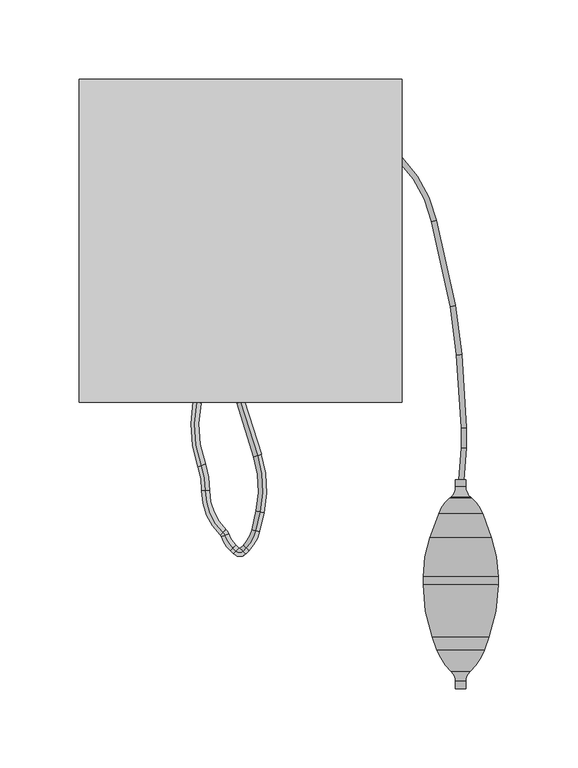
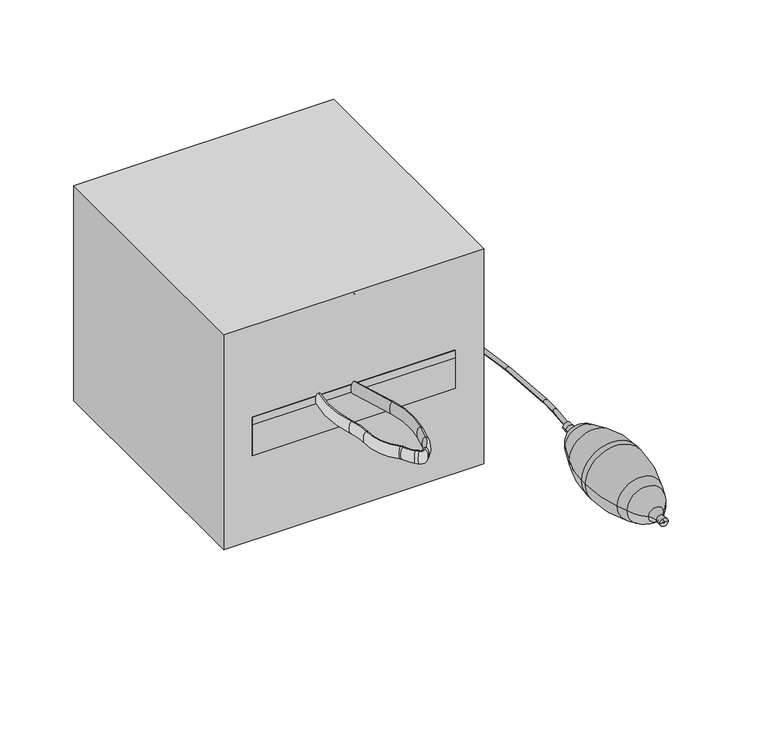
"""IFC4 building model written with IfcOpenShell, lengths in millimetres: proxy geometry."""

from ifc_helpers import new_model, si_unit, point, frame, frame_2d, origin, origin_with_axes, place, context, project, spatial, polyline, circle_curve, ellipse_curve, trimmed, segment, composite_curve, outline, extrude, source, transform, mapped, element, save
from ifc_brep_helpers import plane_surface, cylinder_surface, revolved_surface, extruded_surface, advanced_brep


def specialty_equipment_8f949246(model_context):
    return source(origin(), model_context, "Body", "SolidModel", [
        advanced_brep(
        [(0.0, 0.0, 93.3890108), (0.0, 0.0, 103.4609892), (10.60129, -33.4899695, 93.3890108), (10.60129, -33.4899695, 103.4609892), (12.1452256, -68.8519095, 103.4609892), (12.1452256, -68.8519095, 93.3890108), (9.4902706, -80.7634297, 93.3890108), (9.4902706, -80.7634297, 103.4609892), (3.5257448, -91.6206606, 103.4609892), (3.5257448, -91.6206606, 93.3890108), (1.489236, -93.6571694, 93.3890108), (1.489236, -93.6571694, 103.4609892), (-2.7411458, -93.6571694, 103.4609892), (-2.7411458, -93.6571694, 93.3890108), (-4.6658712, -91.732444, 93.3890108), (-4.6658712, -91.732444, 103.4609892), (-9.7582734, -83.8141156, 103.4609892), (-9.7582734, -83.8141156, 93.3890108), (-10.9708227, -81.9675873, 103.4609892), (-10.9708227, -81.9675873, 93.3890108), (-21.9594666, -55.7504476, 103.4609892), (-21.9594666, -55.7504476, 93.3890108), (-24.5939327, -39.9510684, 103.4609892), (-24.5939327, -39.9510684, 93.3890108), (-27.3580457, -0.1117834, 93.3890108), (-27.3580457, -0.1117834, 103.4609892)],
        [
            (0, 1, ellipse_curve(frame((0.0, 0.0, 98.425), z_axis=(-0.30179165133573443, 0.9533739031377199, 0.0), x_axis=(0.0, 0.0, 1.0)), 5.0359892, 2.5179946)),
            (1, 0, ellipse_curve(frame((0.0, 0.0, 98.425), z_axis=(-0.30179165133573443, 0.9533739031377199, 0.0), x_axis=(0.0, 0.0, 1.0)), 5.0359892, 2.5179946)),
            (0, 2),
            (2, 3, ellipse_curve(frame((10.60129, -33.4899695, 98.425), z_axis=(-0.3017916513357344, 0.9533739031377201, 0.0), x_axis=(0.0, 0.0, 1.0)), 5.0359892, 2.5179946)),
            (3, 1),
            (3, 2, ellipse_curve(frame((10.60129, -33.4899695, 98.425), z_axis=(-0.3017916513357344, 0.9533739031377201, 0.0), x_axis=(0.0, 0.0, 1.0)), 5.0359892, 2.5179946)),
            (4, 3, circle_curve(frame((-54.3137244, -54.0388951, 103.4609892), z_axis=(0.0, 0.0, 1.0), x_axis=(0.9533739031377199, 0.3017916513357344, 0.0)), 68.0897748)),
            (2, 5, circle_curve(frame((-54.3137244, -54.0388951, 93.3890108), z_axis=(0.0, 0.0, -1.0), x_axis=(0.9533739031377199, 0.3017916513357344, 0.0)), 68.0897748)),
            (5, 4, ellipse_curve(frame((12.1452256, -68.8519095, 98.425), z_axis=(0.21755123234481044, 0.9760489031320381, 0.0), x_axis=(0.0, 0.0, 1.0)), 5.0359892, 2.5179946)),
            (4, 5, ellipse_curve(frame((12.1452256, -68.8519095, 98.425), z_axis=(0.21755123234481044, 0.9760489031320381, 0.0), x_axis=(0.0, 0.0, 1.0)), 5.0359892, 2.5179946)),
            (5, 6),
            (6, 7, ellipse_curve(frame((9.4902706, -80.7634297, 98.425), z_axis=(0.21755123234481058, 0.9760489031320381, 0.0), x_axis=(0.0, 0.0, 1.0)), 5.0359892, 2.5179946)),
            (7, 4),
            (7, 6, ellipse_curve(frame((9.4902706, -80.7634297, 98.425), z_axis=(0.21755123234481058, 0.9760489031320381, 0.0), x_axis=(0.0, 0.0, 1.0)), 5.0359892, 2.5179946)),
            (8, 7, circle_curve(frame((-12.1562786, -75.9386371, 103.4609892), z_axis=(0.0, 0.0, 1.0), x_axis=(0.9760489031320378, -0.21755123234481052, 0.0)), 22.1777302)),
            (6, 9, circle_curve(frame((-12.1562786, -75.9386371, 93.3890108), z_axis=(0.0, 0.0, -1.0), x_axis=(0.9760489031320378, -0.21755123234481052, 0.0)), 22.1777302)),
            (9, 8, ellipse_curve(frame((3.5257448, -91.6206606, 98.425), z_axis=(0.7071067811865471, 0.7071067811865479, 0.0), x_axis=(0.0, 0.0, 1.0)), 5.0359892, 2.5179946)),
            (8, 9, ellipse_curve(frame((3.5257448, -91.6206606, 98.425), z_axis=(0.7071067811865478, 0.7071067811865472, 0.0), x_axis=(0.0, 0.0, 1.0)), 5.0359892, 2.5179946)),
            (9, 10),
            (10, 11, ellipse_curve(frame((1.489236, -93.6571694, 98.425), z_axis=(0.7071067811865424, 0.7071067811865528, 0.0), x_axis=(0.0, 0.0, 1.0)), 5.0359892, 2.5179946)),
            (11, 8),
            (11, 10, ellipse_curve(frame((1.489236, -93.6571694, 98.425), z_axis=(0.7071067811865424, 0.7071067811865528, 0.0), x_axis=(0.0, 0.0, 1.0)), 5.0359892, 2.5179946)),
            (12, 11, circle_curve(frame((-0.6259549, -91.5419785, 103.4609892), z_axis=(0.0, 0.0, 1.0), x_axis=(0.7071067811865528, -0.7071067811865424, 0.0)), 2.9913317)),
            (10, 13, circle_curve(frame((-0.6259549, -91.5419785, 93.3890108), z_axis=(0.0, 0.0, -1.0), x_axis=(0.7071067811865528, -0.7071067811865424, 0.0)), 2.9913317)),
            (13, 12, ellipse_curve(frame((-2.7411458, -93.6571694, 98.425), z_axis=(0.7071067811865399, -0.7071067811865552, 0.0), x_axis=(0.0, 0.0, 1.0)), 5.0359892, 2.5179946)),
            (12, 13, ellipse_curve(frame((-2.7411458, -93.6571694, 98.425), z_axis=(0.7071067811865431, -0.707106781186552, 0.0), x_axis=(0.0, 0.0, 1.0)), 5.0359892, 2.5179946)),
            (13, 14),
            (14, 15, ellipse_curve(frame((-4.6658712, -91.732444, 98.425), z_axis=(0.7071067811865434, -0.7071067811865517, 0.0), x_axis=(0.0, 0.0, 1.0)), 5.0359892, 2.5179946)),
            (15, 12),
            (15, 14, ellipse_curve(frame((-4.6658712, -91.732444, 98.425), z_axis=(0.7071067811865434, -0.7071067811865517, 0.0), x_axis=(0.0, 0.0, 1.0)), 5.0359892, 2.5179946)),
            (16, 15, circle_curve(frame((11.0161522, -76.0504205, 103.4609892), z_axis=(0.0, 0.0, 1.0), x_axis=(-0.7071067811865517, -0.7071067811865434, 0.0)), 22.1777302)),
            (14, 17, circle_curve(frame((11.0161522, -76.0504205, 93.3890108), z_axis=(0.0, 0.0, -1.0), x_axis=(-0.7071067811865517, -0.7071067811865434, 0.0)), 22.1777302)),
            (17, 16, ellipse_curve(frame((-9.7582734, -83.8141156, 98.425), z_axis=(0.3500671620040357, -0.9367246031179284, 0.0), x_axis=(0.0, 0.0, 1.0)), 5.0359892, 2.5179946)),
            (16, 17, ellipse_curve(frame((-9.7582734, -83.8141156, 98.425), z_axis=(0.35006716200403576, -0.9367246031179283, 0.0), x_axis=(0.0, 0.0, 1.0)), 5.0359892, 2.5179946)),
            (18, 16, circle_curve(frame((-14.4282922, -85.5593673, 103.4609892), z_axis=(0.0, 0.0, -1.0), x_axis=(0.9367246031179312, 0.3500671620040279, 0.0)), 4.9854768)),
            (17, 19, circle_curve(frame((-14.4282922, -85.5593673, 93.3890108), z_axis=(0.0, 0.0, 1.0), x_axis=(0.9367246031179312, 0.3500671620040279, 0.0)), 4.9854768)),
            (19, 18, ellipse_curve(frame((-10.9708227, -81.9675873, 98.425), z_axis=(0.720448655639569, -0.6935082801143313, 0.0), x_axis=(0.0, 0.0, 1.0)), 5.0359892, 2.5179946)),
            (18, 19, ellipse_curve(frame((-10.9708227, -81.9675873, 98.425), z_axis=(0.7204486556395685, -0.6935082801143317, 0.0), x_axis=(0.0, 0.0, 1.0)), 5.0359892, 2.5179946)),
            (20, 18, circle_curve(frame((13.8981281, -56.1325645, 103.4609892), z_axis=(0.0, 0.0, 1.0), x_axis=(-0.6935082801143324, -0.7204486556395678, 0.0)), 35.8596307)),
            (19, 21, circle_curve(frame((13.8981281, -56.1325645, 93.3890108), z_axis=(0.0, 0.0, -1.0), x_axis=(-0.6935082801143324, -0.7204486556395678, 0.0)), 35.8596307)),
            (21, 20, ellipse_curve(frame((-21.9594666, -55.7504476, 98.425), z_axis=(-0.010655908230738531, -0.9999432241981432, 0.0), x_axis=(0.0, 0.0, 1.0)), 5.0359892, 2.5179946)),
            (20, 21, ellipse_curve(frame((-21.9594666, -55.7504476, 98.425), z_axis=(-0.010655908230738531, -0.9999432241981432, 0.0), x_axis=(0.0, 0.0, 1.0)), 5.0359892, 2.5179946)),
            (22, 20, circle_curve(frame((-67.7275968, -55.2627189, 103.4609892), z_axis=(0.0, 0.0, -1.0), x_axis=(0.9999432241981431, -0.010655908230754234, 0.0)), 45.7707289)),
            (21, 23, circle_curve(frame((-67.7275968, -55.2627189, 93.3890108), z_axis=(0.0, 0.0, 1.0), x_axis=(0.9999432241981431, -0.010655908230754234, 0.0)), 45.7707289)),
            (23, 22, ellipse_curve(frame((-24.5939327, -39.9510684, 98.425), z_axis=(0.33452931398523167, -0.9423853447950952, 0.0), x_axis=(0.0, 0.0, 1.0)), 5.0359892, 2.5179946)),
            (22, 23, ellipse_curve(frame((-24.5939327, -39.9510684, 98.425), z_axis=(0.33452931398523156, -0.9423853447950952, 0.0), x_axis=(0.0, 0.0, 1.0)), 5.0359892, 2.5179946)),
            (24, 25, ellipse_curve(frame((-27.3580457, -0.1117834, 98.425), z_axis=(0.2011821163330489, 0.9795538556239548, 0.0), x_axis=(0.0, 0.0, 1.0)), 5.0359892, 2.5179946)),
            (25, 24, ellipse_curve(frame((-27.3580457, -0.1117834, 98.425), z_axis=(0.2011821163330489, 0.9795538556239548, 0.0), x_axis=(0.0, 0.0, 1.0)), 5.0359892, 2.5179946)),
            (25, 22, circle_curve(frame((45.4884963, -15.0731063, 103.4609892), z_axis=(0.0, 0.0, 1.0), x_axis=(-0.9423853447950952, -0.33452931398523145, 0.0)), 74.3670617)),
            (23, 24, circle_curve(frame((45.4884963, -15.0731063, 93.3890108), z_axis=(0.0, 0.0, -1.0), x_axis=(-0.9423853447950952, -0.33452931398523145, 0.0)), 74.3670617)),
        ],
        [
            plane_surface(frame((0.0, 0.0, 98.425), z_axis=(-0.30179165133573443, 0.9533739031377199, 0.0), x_axis=(0.0, 0.0, 1.0))),
            extruded_surface(trimmed(ellipse_curve(frame((10.60129, -33.4899695, 98.425), z_axis=(-0.30179165133573443, 0.9533739031377199, 0.0), x_axis=(0.0, 0.0, 1.0)), 5.0359892, 2.5179946), [point((10.60129, -33.4899695, 93.3890108))], [point((10.60129, -33.4899695, 103.4609892))], True, "CARTESIAN"), (-10.60129, 33.4899695, 0.0), 35.1278437535672),
            extruded_surface(trimmed(ellipse_curve(frame((10.60129, -33.4899695, 98.425), z_axis=(-0.30179165133573443, 0.9533739031377199, 0.0), x_axis=(0.0, 0.0, 1.0)), 5.0359892, 2.5179946), [point((10.60129, -33.4899695, 103.4609892))], [point((10.60129, -33.4899695, 93.3890108))], True, "CARTESIAN"), (-10.60129, 33.4899695, 0.0), 35.1278437535672),
            revolved_surface(trimmed(ellipse_curve(frame((10.60129, -33.4899695, 98.425), z_axis=(-0.3017916513357343, 0.9533739031377199, 0.0), x_axis=(0.0, 0.0, 1.0)), 5.0359892, 2.5179946), [point((10.60129, -33.4899695, 93.3890108))], [point((10.60129, -33.4899695, 103.4609892))], True, "CARTESIAN"), (-54.3137244, -54.0388951, 98.425), (0.0, 0.0, -1.0)),
            revolved_surface(trimmed(ellipse_curve(frame((10.60129, -33.4899695, 98.425), z_axis=(-0.3017916513357343, 0.9533739031377199, 0.0), x_axis=(0.0, 0.0, 1.0)), 5.0359892, 2.5179946), [point((10.60129, -33.4899695, 103.4609892))], [point((10.60129, -33.4899695, 93.3890108))], True, "CARTESIAN"), (-54.3137244, -54.0388951, 98.425), (0.0, 0.0, -1.0)),
            extruded_surface(trimmed(ellipse_curve(frame((9.4902706, -80.7634297, 98.425), z_axis=(0.2175512323448103, 0.976048903132038, 0.0), x_axis=(0.0, 0.0, 1.0)), 5.0359892, 2.5179946), [point((9.4902706, -80.7634297, 93.3890108))], [point((9.4902706, -80.7634297, 103.4609892))], True, "CARTESIAN"), (2.6549549999999993, 11.911520199999998, 0.0), 12.203814957915126),
            extruded_surface(trimmed(ellipse_curve(frame((9.4902706, -80.7634297, 98.425), z_axis=(0.2175512323448103, 0.976048903132038, 0.0), x_axis=(0.0, 0.0, 1.0)), 5.0359892, 2.5179946), [point((9.4902706, -80.7634297, 103.4609892))], [point((9.4902706, -80.7634297, 93.3890108))], True, "CARTESIAN"), (2.6549549999999993, 11.911520199999998, 0.0), 12.203814957915126),
            revolved_surface(trimmed(ellipse_curve(frame((9.4902706, -80.7634297, 98.425), z_axis=(0.21755123234481052, 0.9760489031320378, 0.0), x_axis=(0.0, 0.0, 1.0)), 5.0359892, 2.5179946), [point((9.4902706, -80.7634297, 93.3890108))], [point((9.4902706, -80.7634297, 103.4609892))], True, "CARTESIAN"), (-12.1562786, -75.9386371, 98.425), (0.0, 0.0, -1.0)),
            revolved_surface(trimmed(ellipse_curve(frame((9.4902706, -80.7634297, 98.425), z_axis=(0.21755123234481052, 0.9760489031320378, 0.0), x_axis=(0.0, 0.0, 1.0)), 5.0359892, 2.5179946), [point((9.4902706, -80.7634297, 103.4609892))], [point((9.4902706, -80.7634297, 93.3890108))], True, "CARTESIAN"), (-12.1562786, -75.9386371, 98.425), (0.0, 0.0, -1.0)),
            extruded_surface(trimmed(ellipse_curve(frame((1.489236, -93.6571694, 98.425), z_axis=(0.707106781186548, 0.707106781186547, 0.0), x_axis=(0.0, 0.0, 1.0)), 5.0359892, 2.5179946), [point((1.489236, -93.6571694, 93.3890108))], [point((1.489236, -93.6571694, 103.4609892))], True, "CARTESIAN"), (2.0365088, 2.036508800000007, 0.0), 2.8800583648521623),
            extruded_surface(trimmed(ellipse_curve(frame((1.489236, -93.6571694, 98.425), z_axis=(0.707106781186548, 0.707106781186547, 0.0), x_axis=(0.0, 0.0, 1.0)), 5.0359892, 2.5179946), [point((1.489236, -93.6571694, 103.4609892))], [point((1.489236, -93.6571694, 93.3890108))], True, "CARTESIAN"), (2.0365088, 2.036508800000007, 0.0), 2.8800583648521623),
            revolved_surface(trimmed(ellipse_curve(frame((1.489236, -93.6571694, 98.425), z_axis=(0.7071067811865424, 0.7071067811865528, 0.0), x_axis=(0.0, 0.0, 1.0)), 5.0359892, 2.5179946), [point((1.489236, -93.6571694, 93.3890108))], [point((1.489236, -93.6571694, 103.4609892))], True, "CARTESIAN"), (-0.6259549, -91.5419785, 98.425), (0.0, 0.0, -1.0)),
            revolved_surface(trimmed(ellipse_curve(frame((1.489236, -93.6571694, 98.425), z_axis=(0.7071067811865424, 0.7071067811865528, 0.0), x_axis=(0.0, 0.0, 1.0)), 5.0359892, 2.5179946), [point((1.489236, -93.6571694, 103.4609892))], [point((1.489236, -93.6571694, 93.3890108))], True, "CARTESIAN"), (-0.6259549, -91.5419785, 98.425), (0.0, 0.0, -1.0)),
            extruded_surface(trimmed(ellipse_curve(frame((-4.6658712, -91.732444, 98.425), z_axis=(0.707106781186542, -0.7071067811865531, 0.0), x_axis=(0.0, 0.0, 1.0)), 5.0359892, 2.5179946), [point((-4.6658712, -91.732444, 93.3890108))], [point((-4.6658712, -91.732444, 103.4609892))], True, "CARTESIAN"), (1.9247253999999998, -1.9247253999999998, 0.0), 2.72197276452398),
            extruded_surface(trimmed(ellipse_curve(frame((-4.6658712, -91.732444, 98.425), z_axis=(0.707106781186542, -0.7071067811865531, 0.0), x_axis=(0.0, 0.0, 1.0)), 5.0359892, 2.5179946), [point((-4.6658712, -91.732444, 103.4609892))], [point((-4.6658712, -91.732444, 93.3890108))], True, "CARTESIAN"), (1.9247253999999998, -1.9247253999999998, 0.0), 2.72197276452398),
            revolved_surface(trimmed(ellipse_curve(frame((-4.6658712, -91.732444, 98.425), z_axis=(0.7071067811865434, -0.7071067811865517, 0.0), x_axis=(0.0, 0.0, 1.0)), 5.0359892, 2.5179946), [point((-4.6658712, -91.732444, 93.3890108))], [point((-4.6658712, -91.732444, 103.4609892))], True, "CARTESIAN"), (11.0161522, -76.0504205, 98.425), (0.0, 0.0, -1.0)),
            revolved_surface(trimmed(ellipse_curve(frame((-4.6658712, -91.732444, 98.425), z_axis=(0.7071067811865434, -0.7071067811865517, 0.0), x_axis=(0.0, 0.0, 1.0)), 5.0359892, 2.5179946), [point((-4.6658712, -91.732444, 103.4609892))], [point((-4.6658712, -91.732444, 93.3890108))], True, "CARTESIAN"), (11.0161522, -76.0504205, 98.425), (0.0, 0.0, -1.0)),
            revolved_surface(trimmed(ellipse_curve(frame((-9.7582734, -83.8141156, 98.425), z_axis=(0.350067162004028, -0.9367246031179312, 0.0), x_axis=(0.0, 0.0, 1.0)), 5.0359892, 2.5179946), [point((-9.7582734, -83.8141156, 93.3890108))], [point((-9.7582734, -83.8141156, 103.4609892))], True, "CARTESIAN"), (-14.4282922, -85.5593673, 98.425), (0.0, 0.0, 1.0)),
            revolved_surface(trimmed(ellipse_curve(frame((-9.7582734, -83.8141156, 98.425), z_axis=(0.350067162004028, -0.9367246031179312, 0.0), x_axis=(0.0, 0.0, 1.0)), 5.0359892, 2.5179946), [point((-9.7582734, -83.8141156, 103.4609892))], [point((-9.7582734, -83.8141156, 93.3890108))], True, "CARTESIAN"), (-14.4282922, -85.5593673, 98.425), (0.0, 0.0, 1.0)),
            revolved_surface(trimmed(ellipse_curve(frame((-10.9708227, -81.9675873, 98.425), z_axis=(0.7204486556395681, -0.6935082801143322, 0.0), x_axis=(0.0, 0.0, 1.0)), 5.0359892, 2.5179946), [point((-10.9708227, -81.9675873, 93.3890108))], [point((-10.9708227, -81.9675873, 103.4609892))], True, "CARTESIAN"), (13.8981281, -56.1325645, 98.425), (0.0, 0.0, -1.0)),
            revolved_surface(trimmed(ellipse_curve(frame((-10.9708227, -81.9675873, 98.425), z_axis=(0.7204486556395681, -0.6935082801143322, 0.0), x_axis=(0.0, 0.0, 1.0)), 5.0359892, 2.5179946), [point((-10.9708227, -81.9675873, 103.4609892))], [point((-10.9708227, -81.9675873, 93.3890108))], True, "CARTESIAN"), (13.8981281, -56.1325645, 98.425), (0.0, 0.0, -1.0)),
            revolved_surface(trimmed(ellipse_curve(frame((-21.9594666, -55.7504476, 98.425), z_axis=(-0.010655908230753961, -0.9999432241981431, 0.0), x_axis=(0.0, 0.0, 1.0)), 5.0359892, 2.5179946), [point((-21.9594666, -55.7504476, 93.3890108))], [point((-21.9594666, -55.7504476, 103.4609892))], True, "CARTESIAN"), (-67.7275968, -55.2627189, 98.425), (0.0, 0.0, 1.0)),
            revolved_surface(trimmed(ellipse_curve(frame((-21.9594666, -55.7504476, 98.425), z_axis=(-0.010655908230753961, -0.9999432241981431, 0.0), x_axis=(0.0, 0.0, 1.0)), 5.0359892, 2.5179946), [point((-21.9594666, -55.7504476, 103.4609892))], [point((-21.9594666, -55.7504476, 93.3890108))], True, "CARTESIAN"), (-67.7275968, -55.2627189, 98.425), (0.0, 0.0, 1.0)),
            plane_surface(frame((-27.3580457, -0.1117834, 98.425), z_axis=(0.201182116333049, 0.9795538556239548, 0.0), x_axis=(0.0, 0.0, 1.0))),
            revolved_surface(trimmed(ellipse_curve(frame((-24.5939327, -39.9510684, 98.425), z_axis=(0.3345293139852318, -0.9423853447950951, 0.0), x_axis=(0.0, 0.0, 1.0)), 5.0359892, 2.5179946), [point((-24.5939327, -39.9510684, 93.3890108))], [point((-24.5939327, -39.9510684, 103.4609892))], True, "CARTESIAN"), (45.4884963, -15.0731063, 98.425), (0.0, 0.0, -1.0)),
            revolved_surface(trimmed(ellipse_curve(frame((-24.5939327, -39.9510684, 98.425), z_axis=(0.3345293139852318, -0.9423853447950951, 0.0), x_axis=(0.0, 0.0, 1.0)), 5.0359892, 2.5179946), [point((-24.5939327, -39.9510684, 103.4609892))], [point((-24.5939327, -39.9510684, 93.3890108))], True, "CARTESIAN"), (45.4884963, -15.0731063, 98.425), (0.0, 0.0, -1.0)),
        ],
        [
            (0, [[1, 2]]),
            (1, [[-1, 3, 4, 5]]),
            (2, [[-2, -5, 6, -3]]),
            (3, [[7, -4, 8, 9]]),
            (4, [[-8, -6, -7, 10]]),
            (5, [[-9, 11, 12, 13]]),
            (6, [[-10, -13, 14, -11]]),
            (7, [[15, -12, 16, 17]]),
            (8, [[-16, -14, -15, 18]]),
            (9, [[-17, 19, 20, 21]]),
            (10, [[-18, -21, 22, -19]]),
            (11, [[23, -20, 24, 25]]),
            (12, [[-24, -22, -23, 26]]),
            (13, [[-25, 27, 28, 29]]),
            (14, [[-26, -29, 30, -27]]),
            (15, [[31, -28, 32, 33]]),
            (16, [[-32, -30, -31, 34]]),
            (17, [[35, -33, 36, 37]]),
            (18, [[-36, -34, -35, 38]]),
            (19, [[39, -37, 40, 41]]),
            (20, [[-40, -38, -39, 42]]),
            (21, [[43, -41, 44, 45]]),
            (22, [[-44, -42, -43, 46]]),
            (23, [[47, 48]]),
            (24, [[49, -45, 50, -48]]),
            (25, [[-50, -46, -49, -47]]),
        ],
    ),
        advanced_brep(
        [(138.1282079, -48.8005767, 47.6946196), (139.110677, -48.8005767, 47.6946196), (141.8571136, -48.8005767, 47.6946196), (135.3817713, -48.8005767, 47.6946196), (138.1282079, -180.1855223, 47.6946196), (139.110677, -180.1855223, 47.6946196), (135.3817713, -180.1855223, 47.6946196), (141.8571136, -180.1855223, 47.6946196), (135.3817713, -175.5632852, 47.6946196), (141.8571136, -175.5632852, 47.6946196), (132.7169258, -169.4696535, 47.6946196), (144.5219592, -169.4696535, 47.6946196), (123.7575473, -155.9951928, 47.6946196), (153.4813376, -155.9951928, 47.6946196), (120.8482177, -148.0018755, 47.6946196), (156.3906672, -148.0018755, 47.6946196), (114.9866942, -114.7595239, 47.6946196), (162.2521907, -114.7595239, 47.6946196), (114.9866942, -109.7483973, 47.6946196), (162.2521907, -109.7483973, 47.6946196), (119.3165907, -85.1923341, 47.6946196), (157.9222942, -85.1923341, 47.6946196), (124.8056359, -70.1113063, 47.6946196), (152.433249, -70.1113063, 47.6946196), (131.6106524, -60.3927356, 47.6946196), (145.6282325, -60.3927356, 47.6946196), (132.2844617, -59.8273424, 47.6946196), (144.9544232, -59.8273424, 47.6946196), (135.3817713, -53.1851407, 47.6946196), (141.8571136, -53.1851407, 47.6946196)],
        [
            (0, 1, circle_curve(frame((138.6194425, -48.8005767, 47.6946196), z_axis=(0.0, -1.0, 0.0), x_axis=(1.0, 0.0, 0.0)), 0.4912345)),
            (1, 2),
            (2, 3, circle_curve(frame((138.6194425, -48.8005767, 47.6946196), z_axis=(0.0, 1.0, 0.0), x_axis=(1.0, 0.0, 0.0)), 3.2376712)),
            (3, 0),
            (1, 0, circle_curve(frame((138.6194425, -48.8005767, 47.6946196), z_axis=(0.0, -1.0, 0.0), x_axis=(1.0, 0.0, 0.0)), 0.4912345)),
            (3, 2, circle_curve(frame((138.6194425, -48.8005767, 47.6946196), z_axis=(0.0, 1.0, 0.0), x_axis=(1.0, 0.0, 0.0)), 3.2376712)),
            (4, 5, circle_curve(frame((138.6194425, -180.1855223, 47.6946196), z_axis=(0.0, -1.0, 0.0), x_axis=(1.0, 0.0, 0.0)), 0.4912345)),
            (5, 1),
            (0, 4),
            (5, 4, circle_curve(frame((138.6194425, -180.1855223, 47.6946196), z_axis=(0.0, -1.0, 0.0), x_axis=(1.0, 0.0, 0.0)), 0.4912345)),
            (6, 7, circle_curve(frame((138.6194425, -180.1855223, 47.6946196), z_axis=(0.0, -1.0, 0.0), x_axis=(1.0, 0.0, 0.0)), 3.2376712)),
            (7, 5),
            (4, 6),
            (7, 6, circle_curve(frame((138.6194425, -180.1855223, 47.6946196), z_axis=(0.0, -1.0, 0.0), x_axis=(1.0, 0.0, 0.0)), 3.2376712)),
            (8, 9, circle_curve(frame((138.6194425, -175.5632852, 47.6946196), z_axis=(0.0, -1.0, 0.0), x_axis=(1.0, 0.0, 0.0)), 3.2376712)),
            (9, 7),
            (6, 8),
            (9, 8, circle_curve(frame((138.6194425, -175.5632852, 47.6946196), z_axis=(0.0, -1.0, 0.0), x_axis=(1.0, 0.0, 0.0)), 3.2376712)),
            (10, 11, circle_curve(frame((138.6194425, -169.4696535, 47.6946196), z_axis=(0.0, -1.0, 0.0), x_axis=(1.0, 0.0, 0.0)), 5.9025167)),
            (11, 9, circle_curve(frame((150.1566096, -175.5632852, 47.6946196), z_axis=(0.0, 0.0, 1.0), x_axis=(1.0, 0.0, 0.0)), 8.299496)),
            (8, 10, circle_curve(frame((127.0822753, -175.5632852, 47.6946196), z_axis=(0.0, 0.0, 1.0), x_axis=(-1.0, 0.0, 0.0)), 8.299496)),
            (11, 10, circle_curve(frame((138.6194425, -169.4696535, 47.6946196), z_axis=(0.0, -1.0, 0.0), x_axis=(1.0, 0.0, 0.0)), 5.9025167)),
            (12, 13, circle_curve(frame((138.6194425, -155.9951928, 47.6946196), z_axis=(0.0, -1.0, 0.0), x_axis=(1.0, 0.0, 0.0)), 14.8618952)),
            (13, 11, circle_curve(frame((121.1969167, -144.2446246, 47.6946196), z_axis=(0.0, 0.0, -1.0), x_axis=(1.0, 0.0, 0.0)), 34.3563632)),
            (10, 12, circle_curve(frame((156.0419683, -144.2446246, 47.6946196), z_axis=(0.0, 0.0, -1.0), x_axis=(-1.0, 0.0, 0.0)), 34.3563632)),
            (13, 12, circle_curve(frame((138.6194425, -155.9951928, 47.6946196), z_axis=(0.0, -1.0, 0.0), x_axis=(1.0, 0.0, 0.0)), 14.8618952)),
            (14, 15, circle_curve(frame((138.6194425, -148.0018755, 47.6946196), z_axis=(0.0, -1.0, 0.0), x_axis=(1.0, 0.0, 0.0)), 17.7712248)),
            (15, 13),
            (12, 14),
            (15, 14, circle_curve(frame((138.6194425, -148.0018755, 47.6946196), z_axis=(0.0, -1.0, 0.0), x_axis=(1.0, 0.0, 0.0)), 17.7712248)),
            (16, 17, circle_curve(frame((138.6194425, -114.7595239, 47.6946196), z_axis=(0.0, -1.0, 0.0), x_axis=(1.0, 0.0, 0.0)), 23.6327482)),
            (17, 15, circle_curve(frame((65.058057, -114.7595239, 47.6946196), z_axis=(0.0, 0.0, -1.0), x_axis=(1.0, 0.0, 0.0)), 97.1941337)),
            (14, 16, circle_curve(frame((212.1808279, -114.7595239, 47.6946196), z_axis=(0.0, 0.0, -1.0), x_axis=(-1.0, 0.0, 0.0)), 97.1941337)),
            (17, 16, circle_curve(frame((138.6194425, -114.7595239, 47.6946196), z_axis=(0.0, -1.0, 0.0), x_axis=(1.0, 0.0, 0.0)), 23.6327482)),
            (18, 19, circle_curve(frame((138.6194425, -109.7483973, 47.6946196), z_axis=(0.0, -1.0, 0.0), x_axis=(1.0, 0.0, 0.0)), 23.6327482)),
            (19, 17),
            (16, 18),
            (19, 18, circle_curve(frame((138.6194425, -109.7483973, 47.6946196), z_axis=(0.0, -1.0, 0.0), x_axis=(1.0, 0.0, 0.0)), 23.6327482)),
            (20, 21, circle_curve(frame((138.6194425, -85.1923341, 47.6946196), z_axis=(0.0, -1.0, 0.0), x_axis=(1.0, 0.0, 0.0)), 19.3028518)),
            (21, 19, circle_curve(frame((90.4550652, -109.7483973, 47.6946196), z_axis=(0.0, 0.0, -1.0), x_axis=(1.0, 0.0, 0.0)), 71.7971255)),
            (18, 20, circle_curve(frame((186.7838197, -109.7483973, 47.6946196), z_axis=(0.0, 0.0, -1.0), x_axis=(-1.0, 0.0, 0.0)), 71.7971255)),
            (21, 20, circle_curve(frame((138.6194425, -85.1923341, 47.6946196), z_axis=(0.0, -1.0, 0.0), x_axis=(1.0, 0.0, 0.0)), 19.3028518)),
            (22, 23, circle_curve(frame((138.6194425, -70.1113063, 47.6946196), z_axis=(0.0, -1.0, 0.0), x_axis=(1.0, 0.0, 0.0)), 13.8138065)),
            (23, 21),
            (20, 22),
            (23, 22, circle_curve(frame((138.6194425, -70.1113063, 47.6946196), z_axis=(0.0, -1.0, 0.0), x_axis=(1.0, 0.0, 0.0)), 13.8138065)),
            (24, 25, circle_curve(frame((138.6194425, -60.3927356, 47.6946196), z_axis=(0.0, -1.0, 0.0), x_axis=(1.0, 0.0, 0.0)), 7.00879)),
            (25, 23, circle_curve(frame((130.8956408, -77.9503546, 47.6946196), z_axis=(0.0, 0.0, -1.0), x_axis=(1.0, 0.0, 0.0)), 22.9198439)),
            (22, 24, circle_curve(frame((146.3432441, -77.9503546, 47.6946196), z_axis=(0.0, 0.0, -1.0), x_axis=(-1.0, 0.0, 0.0)), 22.9198439)),
            (25, 24, circle_curve(frame((138.6194425, -60.3927356, 47.6946196), z_axis=(0.0, -1.0, 0.0), x_axis=(1.0, 0.0, 0.0)), 7.00879)),
            (26, 27, circle_curve(frame((138.6194425, -59.8273424, 47.6946196), z_axis=(0.0, -1.0, 0.0), x_axis=(1.0, 0.0, 0.0)), 6.3349807)),
            (27, 25),
            (24, 26),
            (27, 26, circle_curve(frame((138.6194425, -59.8273424, 47.6946196), z_axis=(0.0, -1.0, 0.0), x_axis=(1.0, 0.0, 0.0)), 6.3349807)),
            (28, 29, circle_curve(frame((138.6194425, -53.1851407, 47.6946196), z_axis=(0.0, -1.0, 0.0), x_axis=(1.0, 0.0, 0.0)), 3.2376712)),
            (29, 27, circle_curve(frame((150.5278923, -53.1851407, 47.6946196), z_axis=(0.0, 0.0, 1.0), x_axis=(1.0, 0.0, 0.0)), 8.6707786)),
            (26, 28, circle_curve(frame((126.7109927, -53.1851407, 47.6946196), z_axis=(0.0, 0.0, 1.0), x_axis=(-1.0, 0.0, 0.0)), 8.6707786)),
            (29, 28, circle_curve(frame((138.6194425, -53.1851407, 47.6946196), z_axis=(0.0, -1.0, 0.0), x_axis=(1.0, 0.0, 0.0)), 3.2376712)),
            (2, 29),
            (28, 3),
        ],
        [
            plane_surface(frame((138.6194425, -48.8005767, 47.6946196), z_axis=(0.0, 1.0, 0.0), x_axis=(1.0, 0.0, 0.0))),
            revolved_surface(polyline([(139.11067699999998, -48.8005767, 47.6946196), (139.11067699999998, -180.1855223, 47.6946196)]), (138.6194425, -48.8005767, 47.6946196), (0.0, 1.0, 0.0)),
            plane_surface(frame((138.6194425, -180.1855223, 47.6946196), z_axis=(0.0, -1.0, 0.0), x_axis=(1.0, 0.0, 0.0))),
            cylinder_surface(frame((138.6194425, -48.8005767, 47.6946196), z_axis=(0.0, 1.0, 0.0), x_axis=(1.0, 0.0, 0.0)), 3.2376712),
            revolved_surface(trimmed(ellipse_curve(frame((150.1566096, -175.5632852, 47.6946196), z_axis=(0.0, 0.0, -1.0), x_axis=(1.0, 0.0, 0.0)), 8.299496, 8.299496), [point((141.8571136, -175.5632852, 47.6946196))], [point((144.5219592, -169.4696535, 47.6946196))], True, "CARTESIAN"), (138.6194425, -48.8005767, 47.6946196), (0.0, 1.0, 0.0)),
            revolved_surface(trimmed(ellipse_curve(frame((121.1969167, -144.2446246, 47.6946196), z_axis=(0.0, 0.0, 1.0), x_axis=(1.0, 0.0, 0.0)), 34.3563632, 34.3563632), [point((144.5219592, -169.4696535, 47.6946196))], [point((153.4813376, -155.9951928, 47.6946196))], True, "CARTESIAN"), (138.6194425, -48.8005767, 47.6946196), (0.0, 1.0, 0.0)),
            revolved_surface(polyline([(153.4813376, -155.9951928, 47.6946196), (156.3906672, -148.0018755, 47.6946196)]), (138.6194425, -48.8005767, 47.6946196), (0.0, 1.0, 0.0)),
            revolved_surface(trimmed(ellipse_curve(frame((65.058057, -114.7595239, 47.6946196), z_axis=(0.0, 0.0, 1.0), x_axis=(1.0, 0.0, 0.0)), 97.1941337, 97.1941337), [point((156.3906672, -148.0018755, 47.6946196))], [point((162.2521907, -114.7595239, 47.6946196))], True, "CARTESIAN"), (138.6194425, -48.8005767, 47.6946196), (0.0, 1.0, 0.0)),
            cylinder_surface(frame((138.6194425, -48.8005767, 47.6946196), z_axis=(0.0, 1.0, 0.0), x_axis=(1.0, 0.0, 0.0)), 23.6327482),
            revolved_surface(trimmed(ellipse_curve(frame((90.4550652, -109.7483973, 47.6946196), z_axis=(0.0, 0.0, 1.0), x_axis=(1.0, 0.0, 0.0)), 71.7971255, 71.7971255), [point((162.2521907, -109.7483973, 47.6946196))], [point((157.9222942, -85.1923341, 47.6946196))], True, "CARTESIAN"), (138.6194425, -48.8005767, 47.6946196), (0.0, 1.0, 0.0)),
            revolved_surface(polyline([(157.9222942, -85.1923341, 47.6946196), (152.433249, -70.1113063, 47.6946196)]), (138.6194425, -48.8005767, 47.6946196), (0.0, 1.0, 0.0)),
            revolved_surface(trimmed(ellipse_curve(frame((130.8956408, -77.9503546, 47.6946196), z_axis=(0.0, 0.0, 1.0), x_axis=(1.0, 0.0, 0.0)), 22.9198439, 22.9198439), [point((152.433249, -70.1113063, 47.6946196))], [point((145.6282325, -60.3927356, 47.6946196))], True, "CARTESIAN"), (138.6194425, -48.8005767, 47.6946196), (0.0, 1.0, 0.0)),
            revolved_surface(polyline([(145.6282325, -60.3927356, 47.6946196), (144.9544232, -59.8273424, 47.6946196)]), (138.6194425, -48.8005767, 47.6946196), (0.0, 1.0, 0.0)),
            revolved_surface(trimmed(ellipse_curve(frame((150.5278923, -53.1851407, 47.6946196), z_axis=(0.0, 0.0, -1.0), x_axis=(1.0, 0.0, 0.0)), 8.6707786, 8.6707786), [point((144.9544232, -59.8273424, 47.6946196))], [point((141.8571136, -53.1851407, 47.6946196))], True, "CARTESIAN"), (138.6194425, -48.8005767, 47.6946196), (0.0, 1.0, 0.0)),
        ],
        [
            (0, [[1, 2, 3, 4]]),
            (0, [[5, -4, 6, -2]]),
            (1, [[7, 8, -1, 9]]),
            (1, [[10, -9, -5, -8]]),
            (2, [[11, 12, -7, 13]]),
            (2, [[14, -13, -10, -12]]),
            (3, [[15, 16, -11, 17]]),
            (3, [[18, -17, -14, -16]]),
            (4, [[19, 20, -15, 21]]),
            (4, [[22, -21, -18, -20]]),
            (5, [[23, 24, -19, 25]]),
            (5, [[26, -25, -22, -24]]),
            (6, [[27, 28, -23, 29]]),
            (6, [[30, -29, -26, -28]]),
            (7, [[31, 32, -27, 33]]),
            (7, [[34, -33, -30, -32]]),
            (8, [[35, 36, -31, 37]]),
            (8, [[38, -37, -34, -36]]),
            (9, [[39, 40, -35, 41]]),
            (9, [[42, -41, -38, -40]]),
            (10, [[43, 44, -39, 45]]),
            (10, [[46, -45, -42, -44]]),
            (11, [[47, 48, -43, 49]]),
            (11, [[50, -49, -46, -48]]),
            (12, [[51, 52, -47, 53]]),
            (12, [[54, -53, -50, -52]]),
            (13, [[55, 56, -51, 57]]),
            (13, [[58, -57, -54, -56]]),
            (3, [[-3, 59, -55, 60]]),
            (3, [[-6, -60, -58, -59]]),
        ],
    ),
        extrude(outline(composite_curve([segment(polyline([(60.0140495, 56.9161892), (60.0140495, -51.3523862)]), True, "CONTINUOUS"), segment(trimmed(circle_curve(frame_2d((49.7730325, -51.3523862)), 10.2410171), [point((60.0140495, -51.3523862))], [point((49.7730325, -61.5934033))], False, "CARTESIAN"), True, "CONTINUOUS"), segment(polyline([(49.7730325, -61.5934033), (47.625, -61.5934033)]), True, "CONTINUOUS"), segment(trimmed(circle_curve(frame_2d((47.625, -55.2434033)), 6.35), [point((47.625, -61.5934033))], [point((41.275, -55.2434033))], False, "CARTESIAN"), True, "CONTINUOUS"), segment(polyline([(41.275, -55.2434033), (41.275, 56.9161892)]), True, "CONTINUOUS"), segment(trimmed(circle_curve(frame_2d((47.625, 56.9161892)), 6.35), [point((41.275, 56.9161892))], [point((47.625, 63.2661892))], False, "CARTESIAN"), True, "CONTINUOUS"), segment(polyline([(47.625, 63.2661892), (53.6640495, 63.2661892)]), True, "CONTINUOUS"), segment(trimmed(circle_curve(frame_2d((53.6640495, 56.9161892)), 6.35), [point((53.6640495, 63.2661892))], [point((60.0140495, 56.9161892))], False, "CARTESIAN"), True, "CONTINUOUS")], self_intersect=False)), frame((0.0, 134.8257556, 0.0), z_axis=(0.0, 1.0, 0.0), x_axis=(0.0, 0.0, 1.0)), (0.0, 0.0, 1.0), 49.3242444),
        extrude(outline(polyline([(1.4455759, 86.4782162), (0.3248118, 26.9185099), (-0.7959523, 86.4782162), (1.4455759, 86.4782162)])), frame((0.0, 0.0, 98.425), z_axis=(0.0, 0.0, 1.0), x_axis=(1.0, 0.0, 0.0)), (0.0, 0.0, 1.0), 1.5875),
        advanced_brep(
        [(64.1302409, 157.2064783, 47.6946196), (63.006649, 160.2935217, 47.6946196), (79.4200216, 162.7715033, 47.6946196), (78.2964296, 165.8585468, 47.6946196), (93.3436181, 162.5226654, 47.6946196), (91.020657, 160.1997043, 47.6946196), (99.4638922, 151.7564691, 47.6946196), (101.7868533, 154.0794302, 47.6946196), (123.3936687, 114.6421744, 47.6946196), (120.1855696, 113.9347877, 47.6946196), (132.0133902, 60.2939371, 47.6946196), (135.2214894, 61.0013237, 47.6946196), (135.9885723, 29.7831085, 47.6946196), (139.2461165, 30.2081991, 47.6946196), (142.2495065, -16.0179543, 47.6946196), (138.9643435, -16.0179543, 47.6946196), (138.9643435, -28.7184587, 47.6946196), (142.2495065, -28.7184587, 47.6946196), (137.4726358, -48.678532, 47.6946196), (140.7487182, -48.9226214, 47.6946196)],
        [
            (0, 1, circle_curve(frame((63.568445, 158.75, 47.6946196), z_axis=(-0.9396926207859115, -0.3420201433256602, 0.0), x_axis=(-0.3420201433256602, 0.9396926207859115, 0.0)), 1.6425815)),
            (1, 0, circle_curve(frame((63.568445, 158.75, 47.6946196), z_axis=(-0.9396926207859115, -0.3420201433256602, 0.0), x_axis=(-0.3420201433256602, 0.9396926207859115, 0.0)), 1.6425815)),
            (0, 2),
            (2, 3, circle_curve(frame((78.8582256, 164.315025, 47.6946196), z_axis=(-0.9396926207859115, -0.3420201433256602, 0.0), x_axis=(-0.3420201433256602, 0.9396926207859115, 0.0)), 1.6425815)),
            (3, 1),
            (3, 2, circle_curve(frame((78.8582256, 164.315025, 47.6946196), z_axis=(-0.9396926207859115, -0.3420201433256602, 0.0), x_axis=(-0.3420201433256602, 0.9396926207859115, 0.0)), 1.6425815)),
            (4, 3, circle_curve(frame((83.2018814, 152.3809287, 47.6946196), z_axis=(0.0, 0.0, 1.0), x_axis=(-0.34202014332565955, 0.9396926207859118, 0.0)), 14.3425815)),
            (2, 5, circle_curve(frame((83.2018814, 152.3809287, 47.6946196), z_axis=(0.0, 0.0, -1.0), x_axis=(-0.34202014332565955, 0.9396926207859118, 0.0)), 11.0574185)),
            (5, 4, circle_curve(frame((92.1821375, 161.3611849, 47.6946196), z_axis=(-0.707106781186547, 0.7071067811865481, 0.0), x_axis=(0.7071067811865481, 0.707106781186547, 0.0)), 1.6425815)),
            (4, 5, circle_curve(frame((92.1821375, 161.3611849, 47.6946196), z_axis=(-0.7071067811865444, 0.7071067811865509, 0.0), x_axis=(0.7071067811865509, 0.7071067811865444, 0.0)), 1.6425815)),
            (5, 6),
            (6, 7, circle_curve(frame((100.6253728, 152.9179497, 47.6946196), z_axis=(-0.7071067811865462, 0.7071067811865489, 0.0), x_axis=(0.7071067811865489, 0.7071067811865462, 0.0)), 1.6425815)),
            (7, 4),
            (7, 6, circle_curve(frame((100.6253728, 152.9179497, 47.6946196), z_axis=(-0.7071067811865462, 0.7071067811865489, 0.0), x_axis=(0.7071067811865489, 0.7071067811865462, 0.0)), 1.6425815)),
            (8, 7, circle_curve(frame((45.0818146, 97.3743915, 47.6946196), z_axis=(0.0, 0.0, 1.0), x_axis=(0.7071067811865482, 0.7071067811865469, 0.0)), 80.1930348)),
            (6, 9, circle_curve(frame((45.0818146, 97.3743915, 47.6946196), z_axis=(0.0, 0.0, -1.0), x_axis=(0.7071067811865482, 0.7071067811865469, 0.0)), 76.9078718)),
            (9, 8, circle_curve(frame((121.7896192, 114.2884811, 47.6946196), z_axis=(-0.21532771486204544, 0.9765418450902602, 0.0), x_axis=(0.9765418450902602, 0.21532771486204544, 0.0)), 1.6425815)),
            (8, 9, circle_curve(frame((121.7896192, 114.2884811, 47.6946196), z_axis=(-0.21532771486204566, 0.9765418450902602, 0.0), x_axis=(0.9765418450902602, 0.21532771486204566, 0.0)), 1.6425815)),
            (9, 10),
            (10, 11, circle_curve(frame((133.6174398, 60.6476304, 47.6946196), z_axis=(-0.21532771486204544, 0.9765418450902602, 0.0), x_axis=(0.9765418450902602, 0.21532771486204544, 0.0)), 1.6425815)),
            (11, 8),
            (11, 10, circle_curve(frame((133.6174398, 60.6476304, 47.6946196), z_axis=(-0.21532771486204544, 0.9765418450902602, 0.0), x_axis=(0.9765418450902602, 0.21532771486204544, 0.0)), 1.6425815)),
            (10, 12),
            (12, 13, circle_curve(frame((137.6173444, 29.9956538, 47.6946196), z_axis=(-0.12939709806477467, 0.9915928554666049, 0.0), x_axis=(0.9915928554666049, 0.12939709806477467, 0.0)), 1.6425815)),
            (13, 11),
            (13, 12, circle_curve(frame((137.6173444, 29.9956538, 47.6946196), z_axis=(-0.12939709806477467, 0.9915928554666049, 0.0), x_axis=(0.9915928554666049, 0.12939709806477467, 0.0)), 1.6425815)),
            (14, 13, circle_curve(frame((-214.993075, -16.0179543, 47.6946196), z_axis=(0.0, 0.0, 1.0), x_axis=(0.9915928554666049, 0.12939709806477429, 0.0)), 357.2425815)),
            (12, 15, circle_curve(frame((-214.993075, -16.0179543, 47.6946196), z_axis=(0.0, 0.0, -1.0), x_axis=(0.9915928554666049, 0.12939709806477429, 0.0)), 353.9574185)),
            (15, 14, circle_curve(frame((140.606925, -16.0179543, 47.6946196), z_axis=(0.0, 1.0, 0.0), x_axis=(1.0, 0.0, 0.0)), 1.6425815)),
            (14, 15, circle_curve(frame((140.606925, -16.0179543, 47.6946196), z_axis=(0.0, 1.0, 0.0), x_axis=(1.0, 0.0, 0.0)), 1.6425815)),
            (15, 16),
            (16, 17, circle_curve(frame((140.606925, -28.7184587, 47.6946196), z_axis=(0.0, 1.0, 0.0), x_axis=(1.0, 0.0, 0.0)), 1.6425815)),
            (17, 14),
            (17, 16, circle_curve(frame((140.606925, -28.7184587, 47.6946196), z_axis=(0.0, 1.0, 0.0), x_axis=(1.0, 0.0, 0.0)), 1.6425815)),
            (18, 19, circle_curve(frame((139.110677, -48.8005767, 47.6946196), z_axis=(-0.07430053978067924, -0.9972358947552479, 0.0), x_axis=(0.9972358947552479, -0.07430053978067924, 0.0)), 1.6425815)),
            (19, 18, circle_curve(frame((139.110677, -48.8005767, 47.6946196), z_axis=(-0.07430053978067924, -0.9972358947552479, 0.0), x_axis=(0.9972358947552479, -0.07430053978067924, 0.0)), 1.6425815)),
            (16, 18),
            (19, 17),
        ],
        [
            plane_surface(frame((63.568445, 158.75, 98.425), z_axis=(-0.9396926207859115, -0.3420201433256602, 0.0), x_axis=(0.0, 0.0, 1.0))),
            cylinder_surface(frame((63.568445, 158.75, 47.6946196), z_axis=(-0.9396926207859115, -0.3420201433256602, 0.0), x_axis=(-0.3420201433256602, 0.9396926207859115, 0.0)), 1.6425815),
            revolved_surface(trimmed(ellipse_curve(frame((78.8582256, 164.315025, 47.6946196), z_axis=(-0.9396926207859118, -0.3420201433256596, 0.0), x_axis=(-0.3420201433256596, 0.9396926207859118, 0.0)), 1.6425815, 1.6425815), [point((79.4200216, 162.7715033, 47.6946196))], [point((78.2964296, 165.8585468, 47.6946196))], True, "CARTESIAN"), (83.2018814, 152.3809287, 98.425), (0.0, 0.0, -1.0)),
            revolved_surface(trimmed(ellipse_curve(frame((78.8582256, 164.315025, 47.6946196), z_axis=(-0.9396926207859118, -0.3420201433256596, 0.0), x_axis=(-0.3420201433256596, 0.9396926207859118, 0.0)), 1.6425815, 1.6425815), [point((78.2964296, 165.8585468, 47.6946196))], [point((79.4200216, 162.7715033, 47.6946196))], True, "CARTESIAN"), (83.2018814, 152.3809287, 98.425), (0.0, 0.0, -1.0)),
            cylinder_surface(frame((92.1821375, 161.3611849, 47.6946196), z_axis=(-0.7071067811865462, 0.7071067811865489, 0.0), x_axis=(0.7071067811865489, 0.7071067811865462, 0.0)), 1.6425815),
            revolved_surface(trimmed(ellipse_curve(frame((100.6253728, 152.9179497, 47.6946196), z_axis=(-0.707106781186547, 0.7071067811865481, 0.0), x_axis=(0.7071067811865481, 0.707106781186547, 0.0)), 1.6425815, 1.6425815), [point((99.4638922, 151.7564691, 47.6946196))], [point((101.7868533, 154.0794302, 47.6946196))], True, "CARTESIAN"), (45.0818146, 97.3743915, 98.425), (0.0, 0.0, -1.0)),
            revolved_surface(trimmed(ellipse_curve(frame((100.6253728, 152.9179497, 47.6946196), z_axis=(-0.707106781186547, 0.7071067811865481, 0.0), x_axis=(0.7071067811865481, 0.707106781186547, 0.0)), 1.6425815, 1.6425815), [point((101.7868533, 154.0794302, 47.6946196))], [point((99.4638922, 151.7564691, 47.6946196))], True, "CARTESIAN"), (45.0818146, 97.3743915, 98.425), (0.0, 0.0, -1.0)),
            cylinder_surface(frame((121.7896192, 114.2884811, 47.6946196), z_axis=(-0.21532771486204544, 0.9765418450902602, 0.0), x_axis=(0.9765418450902602, 0.21532771486204544, 0.0)), 1.6425815),
            cylinder_surface(frame((133.6174398, 60.6476304, 47.6946196), z_axis=(-0.12939709806477467, 0.9915928554666049, 0.0), x_axis=(0.9915928554666049, 0.12939709806477467, 0.0)), 1.6425815),
            revolved_surface(trimmed(ellipse_curve(frame((137.6173444, 29.9956538, 47.6946196), z_axis=(-0.1293970980647746, 0.9915928554666049, 0.0), x_axis=(0.9915928554666049, 0.1293970980647746, 0.0)), 1.6425815, 1.6425815), [point((135.9885723, 29.7831085, 47.6946196))], [point((139.2461165, 30.2081991, 47.6946196))], True, "CARTESIAN"), (-214.993075, -16.0179543, 98.425), (0.0, 0.0, -1.0)),
            revolved_surface(trimmed(ellipse_curve(frame((137.6173444, 29.9956538, 47.6946196), z_axis=(-0.1293970980647746, 0.9915928554666049, 0.0), x_axis=(0.9915928554666049, 0.1293970980647746, 0.0)), 1.6425815, 1.6425815), [point((139.2461165, 30.2081991, 47.6946196))], [point((135.9885723, 29.7831085, 47.6946196))], True, "CARTESIAN"), (-214.993075, -16.0179543, 98.425), (0.0, 0.0, -1.0)),
            cylinder_surface(frame((140.606925, -16.0179543, 47.6946196), z_axis=(0.0, 1.0, 0.0), x_axis=(1.0, 0.0, 0.0)), 1.6425815),
            plane_surface(frame((139.110677, -48.8005767, 98.425), z_axis=(-0.07430053978067952, -0.9972358947552479, 0.0), x_axis=(0.0, 0.0, 1.0))),
            cylinder_surface(frame((140.606925, -28.7184587, 47.6946196), z_axis=(0.07430053978067924, 0.9972358947552479, 0.0), x_axis=(0.9972358947552479, -0.07430053978067924, 0.0)), 1.6425815),
        ],
        [
            (0, [[1, 2]]),
            (1, [[-1, 3, 4, 5]]),
            (1, [[-2, -5, 6, -3]]),
            (2, [[7, -4, 8, 9]]),
            (3, [[-8, -6, -7, 10]]),
            (4, [[-9, 11, 12, 13]]),
            (4, [[-10, -13, 14, -11]]),
            (5, [[15, -12, 16, 17]]),
            (6, [[-16, -14, -15, 18]]),
            (7, [[-17, 19, 20, 21]]),
            (7, [[-18, -21, 22, -19]]),
            (8, [[-20, 23, 24, 25]]),
            (8, [[-22, -25, 26, -23]]),
            (9, [[27, -24, 28, 29]]),
            (10, [[-28, -26, -27, 30]]),
            (11, [[-29, 31, 32, 33]]),
            (11, [[-30, -33, 34, -31]]),
            (12, [[35, 36]]),
            (13, [[-32, 37, -36, 38]]),
            (13, [[-34, -38, -35, -37]]),
        ],
    ),
        extrude(outline(composite_curve([segment(polyline([(120.2221073, 29.9389159), (130.175, 12.7), (80.7091396, 12.7), (80.7091396, 32.5520308)]), True, "CONTINUOUS"), segment(trimmed(circle_curve(frame_2d((38.3859034, 32.5520308)), 42.3232361), [point((80.7091396, 32.5520308))], [point((78.1567361, 47.0274301))], True, "CARTESIAN"), True, "CONTINUOUS"), segment(polyline([(78.1567361, 47.0274301), (69.85, 69.85), (125.0930617, 69.85), (118.3509599, 51.3262276)]), True, "CONTINUOUS"), segment(trimmed(circle_curve(frame_2d((142.2191525, 42.6389159)), 25.4), [point((118.3509599, 51.3262276))], [point((120.2221073, 29.9389159))], True, "CARTESIAN"), True, "CONTINUOUS")], self_intersect=False)), frame((-19.05, 0.0, 0.0), z_axis=(1.0, 0.0, 0.0), x_axis=(0.0, 1.0, 0.0)), (0.0, 0.0, 1.0), 38.1),
        extrude(outline(polyline([(44.45, 142.875), (44.45, 53.975), (-44.45, 53.975), (-44.45, 142.875), (44.45, 142.875)])), origin_with_axes(), (0.0, 0.0, 1.0), 12.7),
        extrude(outline(polyline([(79.375, 158.75), (79.375, 0.0), (-79.375, 0.0), (-79.375, 158.75), (79.375, 158.75)]), holes=[polyline([(76.2, 155.575), (-76.2, 155.575), (-76.2, 3.175), (76.2, 3.175), (76.2, 155.575)])]), frame((0.0, 0.0, 95.25), z_axis=(0.0, 0.0, 1.0), x_axis=(1.0, 0.0, 0.0)), (0.0, 0.0, 1.0), 6.35),
        extrude(outline(polyline([(79.375, 0.0), (-79.375, 0.0), (-79.375, 158.75), (79.375, 158.75), (79.375, 0.0)])), frame((0.0, 0.0, 69.85), z_axis=(0.0, 0.0, 1.0), x_axis=(1.0, 0.0, 0.0)), (0.0, 0.0, 1.0), 25.4),
        extrude(outline(polyline([(101.6, 203.2), (101.6, 0.0), (-101.6, 0.0), (-101.6, 203.2), (101.6, 203.2)])), origin_with_axes(), (0.0, 0.0, 1.0), 177.8),
    ])


if __name__ == "__main__":
    model = new_model("IFC4")
    model_context = context("Model", 3, world=origin())
    ifc_project = project(units=[si_unit("LENGTHUNIT", "METRE", prefix="MILLI")], contexts=[model_context])
    site = spatial("IfcSite", under=ifc_project)
    building = spatial("IfcBuilding", under=site)
    placement = place(None, origin())
    specialty_equipment_shape = specialty_equipment_8f949246(model_context)
    element("IfcBuildingElementProxy", 1, Name="Specialty Equipment", at=placement, inside=building, context=model_context, shape_type="MappedRepresentation", body=[
        mapped(specialty_equipment_shape, transform((0.0, 0.0, 0.0), x_axis=(1.0, 0.0, 0.0), y_axis=(0.0, 1.0, 0.0), z_axis=(0.0, 0.0, 1.0))),
    ])
    save(model, "model.ifc")
